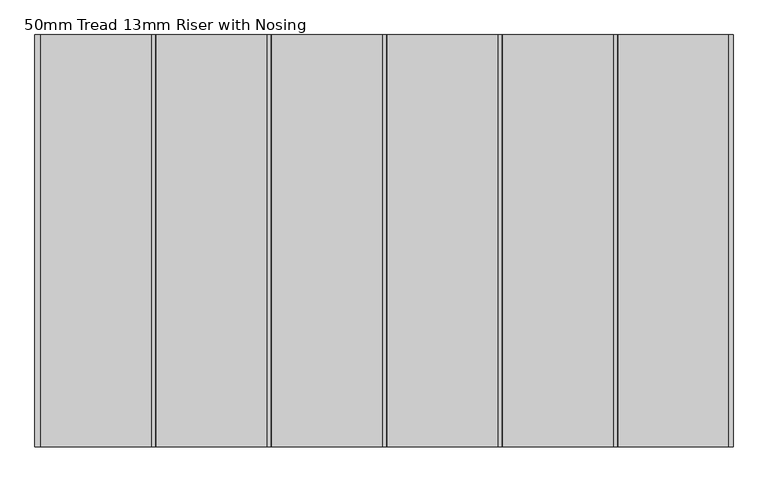
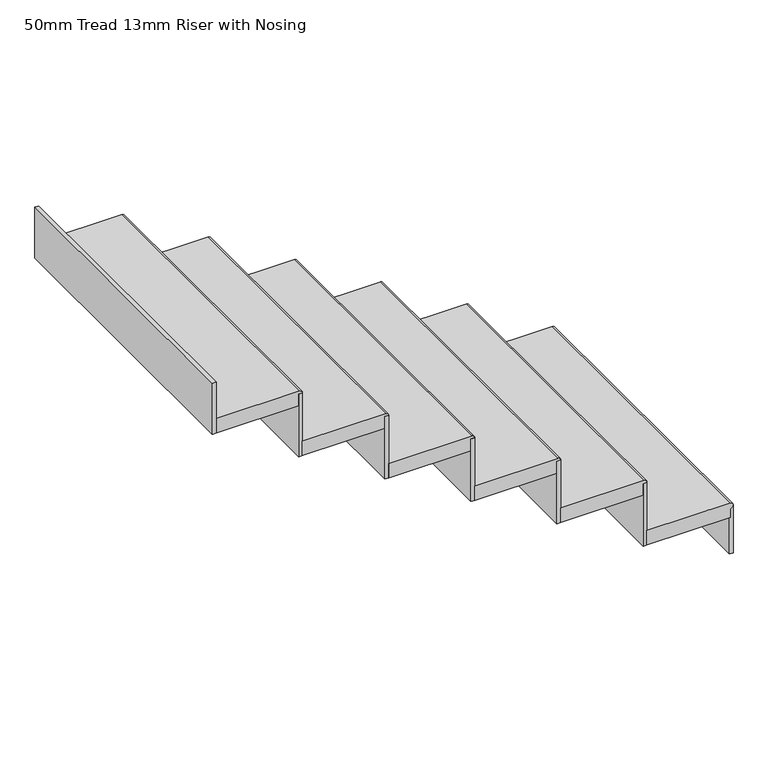
"""IFC4 building model written with IfcOpenShell, lengths in millimetres: stair flight geometry, 50mm Tread 13mm Riser with Nosing."""

from ifc_helpers import new_model, si_unit, point, frame, frame_2d, origin, origin_with_axes, place, context, project, spatial, polyline, circle_curve, trimmed, segment, composite_curve, outline, extrude, source, transform, mapped, element, save


def stair_flight_50mm_tread_13mm_riser_with_nosing_f535f6b7(model_context):
    return source(origin(), model_context, "Body", "SweptSolid", [
        extrude(outline(composite_curve([segment(polyline([(175.0, -25030.7673681), (175.0, -25300.7673681), (125.0, -25300.7673681), (125.0, -25030.7673681), (155.0, -25030.7673681)]), True, "CONTINUOUS"), segment(trimmed(circle_curve(frame_2d((165.0, -25030.7673681)), 10.0), [point((155.0, -25030.7673681))], [point((175.0, -25030.7673681))], False, "CARTESIAN"), True, "CONTINUOUS")], self_intersect=False)), frame((0.0, -18618.3386924, 0.0), z_axis=(0.0, 1.0, 0.0), x_axis=(0.0, 0.0, 1.0)), (0.0, 0.0, 1.0), 1000.0),
        extrude(outline(polyline([(-25033.2673681, -17618.3386924), (-25020.7673681, -17618.3386924), (-25020.7673681, -18618.3386924), (-25033.2673681, -18618.3386924), (-25033.2673681, -17618.3386924)])), origin_with_axes(), (0.0, 0.0, 1.0), 165.0),
        extrude(outline(polyline([(-25313.2673681, -17618.3386924), (-25300.7673681, -17618.3386924), (-25300.7673681, -18618.3386924), (-25313.2673681, -18618.3386924), (-25313.2673681, -17618.3386924)])), frame((0.0, 0.0, 125.0), z_axis=(0.0, 0.0, 1.0), x_axis=(1.0, 0.0, 0.0)), (0.0, 0.0, 1.0), 215.0),
        extrude(outline(composite_curve([segment(polyline([(350.0, -25310.7673681), (350.0, -25580.7673681), (300.0, -25580.7673681), (300.0, -25310.7673681), (330.0, -25310.7673681)]), True, "CONTINUOUS"), segment(trimmed(circle_curve(frame_2d((340.0, -25310.7673681)), 10.0), [point((330.0, -25310.7673681))], [point((350.0, -25310.7673681))], False, "CARTESIAN"), True, "CONTINUOUS")], self_intersect=False)), frame((0.0, -18618.3386924, 0.0), z_axis=(0.0, 1.0, 0.0), x_axis=(0.0, 0.0, 1.0)), (0.0, 0.0, 1.0), 1000.0),
        extrude(outline(polyline([(-25593.2673681, -17618.3386924), (-25580.7673681, -17618.3386924), (-25580.7673681, -18618.3386924), (-25593.2673681, -18618.3386924), (-25593.2673681, -17618.3386924)])), frame((0.0, 0.0, 300.0), z_axis=(0.0, 0.0, 1.0), x_axis=(1.0, 0.0, 0.0)), (0.0, 0.0, 1.0), 215.0),
        extrude(outline(composite_curve([segment(polyline([(525.0, -25590.7673681), (525.0, -25860.7673681), (475.0, -25860.7673681), (475.0, -25590.7673681), (505.0, -25590.7673681)]), True, "CONTINUOUS"), segment(trimmed(circle_curve(frame_2d((515.0, -25590.7673681)), 10.0), [point((505.0, -25590.7673681))], [point((525.0, -25590.7673681))], False, "CARTESIAN"), True, "CONTINUOUS")], self_intersect=False)), frame((0.0, -18618.3386924, 0.0), z_axis=(0.0, 1.0, 0.0), x_axis=(0.0, 0.0, 1.0)), (0.0, 0.0, 1.0), 1000.0),
        extrude(outline(polyline([(-25873.2673681, -17618.3386924), (-25860.7673681, -17618.3386924), (-25860.7673681, -18618.3386924), (-25873.2673681, -18618.3386924), (-25873.2673681, -17618.3386924)])), frame((0.0, 0.0, 475.0), z_axis=(0.0, 0.0, 1.0), x_axis=(1.0, 0.0, 0.0)), (0.0, 0.0, 1.0), 215.0),
        extrude(outline(composite_curve([segment(polyline([(700.0, -25870.7673681), (700.0, -26140.7673681), (650.0, -26140.7673681), (650.0, -25870.7673681), (680.0, -25870.7673681)]), True, "CONTINUOUS"), segment(trimmed(circle_curve(frame_2d((690.0, -25870.7673681)), 10.0), [point((680.0, -25870.7673681))], [point((700.0, -25870.7673681))], False, "CARTESIAN"), True, "CONTINUOUS")], self_intersect=False)), frame((0.0, -18618.3386924, 0.0), z_axis=(0.0, 1.0, 0.0), x_axis=(0.0, 0.0, 1.0)), (0.0, 0.0, 1.0), 1000.0),
        extrude(outline(polyline([(-26153.2673681, -17618.3386924), (-26140.7673681, -17618.3386924), (-26140.7673681, -18618.3386924), (-26153.2673681, -18618.3386924), (-26153.2673681, -17618.3386924)])), frame((0.0, 0.0, 650.0), z_axis=(0.0, 0.0, 1.0), x_axis=(1.0, 0.0, 0.0)), (0.0, 0.0, 1.0), 215.0),
        extrude(outline(composite_curve([segment(polyline([(875.0, -26150.7673681), (875.0, -26420.7673681), (825.0, -26420.7673681), (825.0, -26150.7673681), (855.0, -26150.7673681)]), True, "CONTINUOUS"), segment(trimmed(circle_curve(frame_2d((865.0, -26150.7673681)), 10.0), [point((855.0, -26150.7673681))], [point((875.0, -26150.7673681))], False, "CARTESIAN"), True, "CONTINUOUS")], self_intersect=False)), frame((0.0, -18618.3386924, 0.0), z_axis=(0.0, 1.0, 0.0), x_axis=(0.0, 0.0, 1.0)), (0.0, 0.0, 1.0), 1000.0),
        extrude(outline(polyline([(-26433.2673681, -17618.3386924), (-26420.7673681, -17618.3386924), (-26420.7673681, -18618.3386924), (-26433.2673681, -18618.3386924), (-26433.2673681, -17618.3386924)])), frame((0.0, 0.0, 825.0), z_axis=(0.0, 0.0, 1.0), x_axis=(1.0, 0.0, 0.0)), (0.0, 0.0, 1.0), 215.0),
        extrude(outline(polyline([(-26713.2673681, -17618.3386924), (-26700.7673681, -17618.3386924), (-26700.7673681, -18618.3386924), (-26713.2673681, -18618.3386924), (-26713.2673681, -17618.3386924)])), frame((0.0, 0.0, 1000.0), z_axis=(0.0, 0.0, 1.0), x_axis=(1.0, 0.0, 0.0)), (0.0, 0.0, 1.0), 175.0),
        extrude(outline(composite_curve([segment(polyline([(1050.0, -26430.7673681), (1050.0, -26700.7673681), (1000.0, -26700.7673681), (1000.0, -26430.7673681), (1030.0, -26430.7673681)]), True, "CONTINUOUS"), segment(trimmed(circle_curve(frame_2d((1040.0, -26430.7673681)), 10.0), [point((1030.0, -26430.7673681))], [point((1050.0, -26430.7673681))], False, "CARTESIAN"), True, "CONTINUOUS")], self_intersect=False)), frame((0.0, -18618.3386924, 0.0), z_axis=(0.0, 1.0, 0.0), x_axis=(0.0, 0.0, 1.0)), (0.0, 0.0, 1.0), 1000.0),
    ])


if __name__ == "__main__":
    model = new_model("IFC4")
    model_context = context("Model", 3, world=origin())
    ifc_project = project(units=[si_unit("LENGTHUNIT", "METRE", prefix="MILLI")], contexts=[model_context])
    site = spatial("IfcSite", under=ifc_project)
    building = spatial("IfcBuilding", under=site)
    placement = place(None, origin())
    stair_flight_50mm_tread_13mm_riser_with_nosing_shape = stair_flight_50mm_tread_13mm_riser_with_nosing_f535f6b7(model_context)
    element("IfcStairFlight", 1, ObjectType="50mm Tread 13mm Riser with Nosing", at=placement, inside=building, context=model_context, shape_type="MappedRepresentation", body=[
        mapped(stair_flight_50mm_tread_13mm_riser_with_nosing_shape, transform((0.0, 0.0, 0.0), x_axis=(1.0, 0.0, 0.0), y_axis=(0.0, 1.0, 0.0), z_axis=(0.0, 0.0, 1.0))),
    ])
    save(model, "model.ifc")
